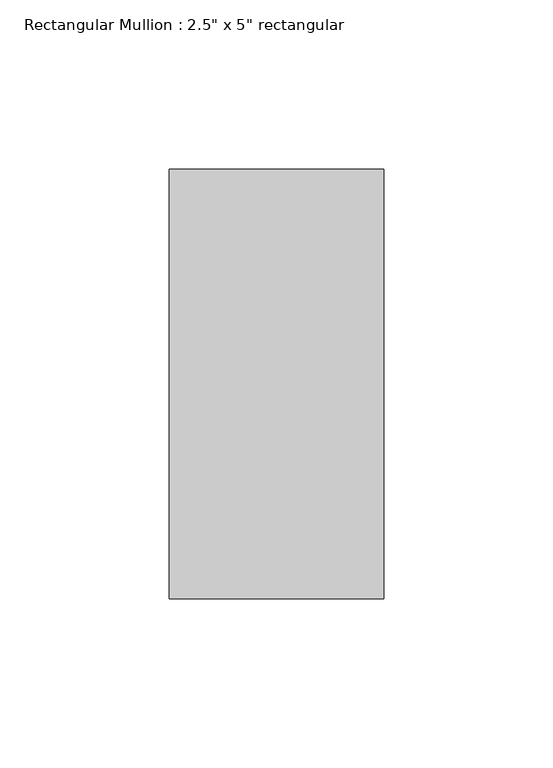
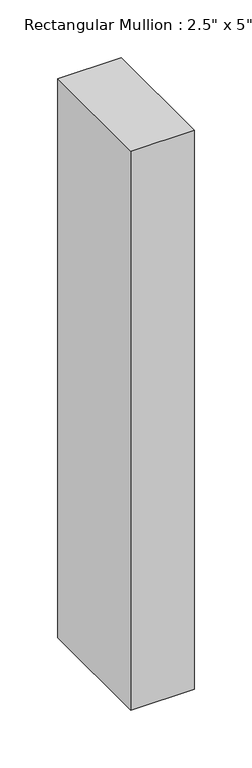
"""IFC4 building model written with IfcOpenShell, lengths in millimetres: member geometry."""

from ifc_helpers import new_model, si_unit, frame, origin, place, context, project, spatial, polyline, outline, extrude, source, transform, mapped, element, save


def member_29f67586(model_context):
    return source(origin(), model_context, "Body", "SweptSolid", [
        extrude(outline(polyline([(0.0, 63.5), (0.0, -63.5), (-63.5, -63.5), (-63.5, 63.5), (0.0, 63.5)])), frame((0.0, 0.0, -591.6), z_axis=(0.0, 0.0, 1.0), x_axis=(1.0, 0.0, 0.0)), (0.0, 0.0, 1.0), 591.6),
    ])


if __name__ == "__main__":
    model = new_model("IFC4")
    model_context = context("Model", 3, world=origin())
    ifc_project = project(units=[si_unit("LENGTHUNIT", "METRE", prefix="MILLI")], contexts=[model_context])
    site = spatial("IfcSite", under=ifc_project)
    building = spatial("IfcBuilding", under=site)
    placement = place(None, origin())
    member_shape = member_29f67586(model_context)
    element("IfcMember", 1, ObjectType="Rectangular Mullion : 2.5\" x 5\" rectangular", at=placement, inside=building, context=model_context, shape_type="MappedRepresentation", body=[
        mapped(member_shape, transform((0.0, 0.0, 0.0), x_axis=(1.0, 0.0, 0.0), y_axis=(0.0, 1.0, 0.0), z_axis=(0.0, 0.0, 1.0))),
    ])
    save(model, "model.ifc")
